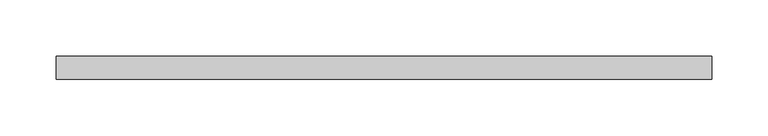
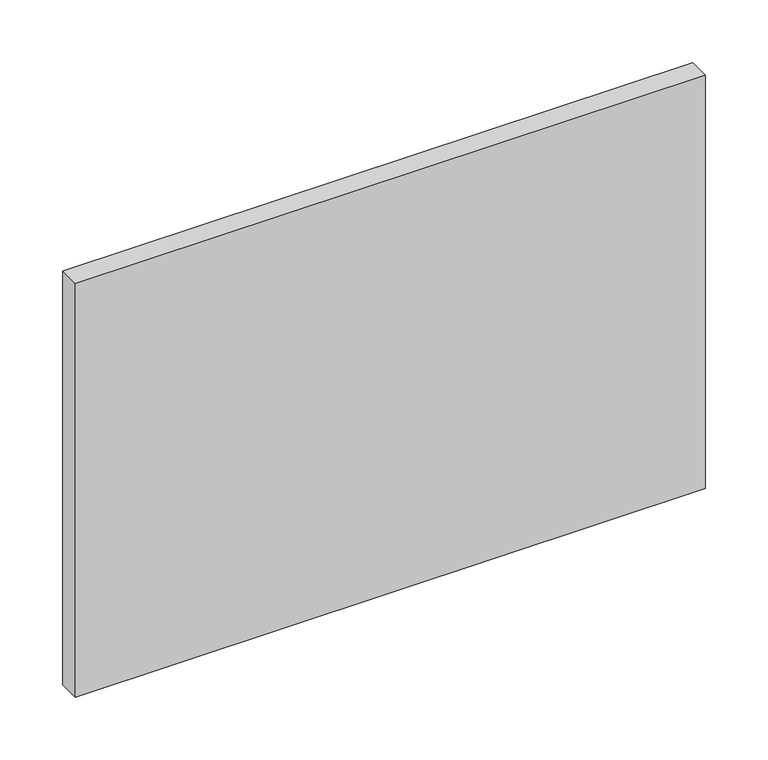
"""IFC4 building model written with IfcOpenShell, lengths in millimetres: plate geometry."""

from ifc_helpers import new_model, si_unit, origin, origin_with_axes, place, context, project, spatial, polyline, outline, extrude, source, transform, mapped, element, save


def plate_62dd2513(model_context):
    return source(origin(), model_context, "Body", "SweptSolid", [
        extrude(outline(polyline([(290.0, 70.0), (-290.0, 70.0), (-290.0, 90.0), (290.0, 90.0), (290.0, 70.0)])), origin_with_axes(), (0.0, 0.0, 1.0), 402.7324119),
    ])


if __name__ == "__main__":
    model = new_model("IFC4")
    model_context = context("Model", 3, world=origin())
    ifc_project = project(units=[si_unit("LENGTHUNIT", "METRE", prefix="MILLI")], contexts=[model_context])
    site = spatial("IfcSite", under=ifc_project)
    building = spatial("IfcBuilding", under=site)
    placement = place(None, origin())
    plate_shape = plate_62dd2513(model_context)
    element("IfcPlate", 1, at=placement, inside=building, context=model_context, shape_type="MappedRepresentation", body=[
        mapped(plate_shape, transform((0.0, 0.0, 0.0), x_axis=(1.0, 0.0, 0.0), y_axis=(0.0, 1.0, 0.0), z_axis=(0.0, 0.0, 1.0))),
    ])
    save(model, "model.ifc")
